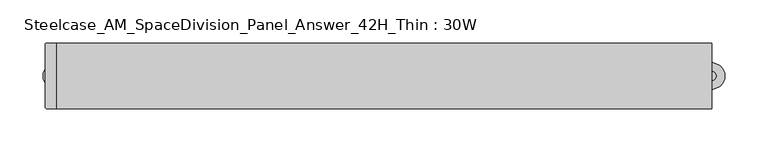
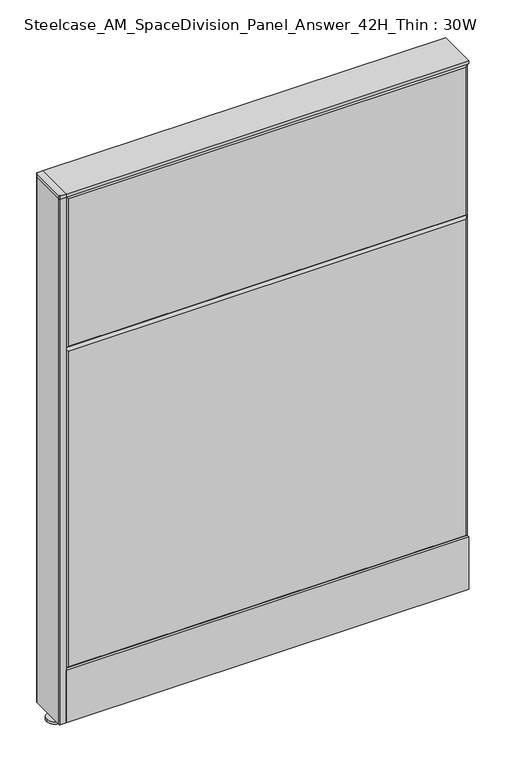
"""IFC4 building model written with IfcOpenShell, lengths in millimetres: furniture geometry, Steelcase_AM_SpaceDivision_Panel_Answer_42H_Thin : 30W."""

from ifc_helpers import new_model, si_unit, point, frame, frame_2d, origin, place, context, project, spatial, polyline, circle_curve, trimmed, segment, composite_curve, outline, extrude, faceted_brep, source, transform, mapped, element, save


def steelcase_am_spacedivision_panel_answer_42h_thin_30w_1ea2919f(model_context):
    return source(origin(), model_context, "Body", "SolidModel", [
        extrude(outline(polyline([(-37.3075215, 119.8575157), (-37.3075215, 15.494), (-38.1000194, 15.494), (-38.1000194, 120.65), (-25.4000011, 120.65), (-25.4000011, 119.8575157), (-37.3075215, 119.8575157)])), frame((-381.0, 0.0, 0.0), z_axis=(1.0, 0.0, 0.0), x_axis=(0.0, 1.0, 0.0)), (0.0, 0.0, 1.0), 762.0),
        extrude(outline(composite_curve([segment(trimmed(circle_curve(frame_2d((381.0, -1.94e-05)), 5.08), [point((386.08, -1.94e-05))], [point((375.92, -1.94e-05))], False, "CARTESIAN"), True, "CONTINUOUS"), segment(trimmed(circle_curve(frame_2d((381.0, -1.94e-05)), 5.08), [point((375.92, -1.94e-05))], [point((386.08, -1.94e-05))], False, "CARTESIAN"), True, "CONTINUOUS")], self_intersect=False)), frame((0.0, 0.0, 5.0799671), z_axis=(0.0, 0.0, 1.0), x_axis=(1.0, 0.0, 0.0)), (0.0, 0.0, 1.0), 10.414),
        extrude(outline(composite_curve([segment(trimmed(circle_curve(frame_2d((381.0, -1.94e-05)), 15.24), [point((396.24, -1.94e-05))], [point((365.76, -1.94e-05))], False, "CARTESIAN"), True, "CONTINUOUS"), segment(trimmed(circle_curve(frame_2d((381.0, -1.94e-05)), 15.24), [point((365.76, -1.94e-05))], [point((396.24, -1.94e-05))], False, "CARTESIAN"), True, "CONTINUOUS")], self_intersect=False)), frame((0.0, 0.0, -3.29e-05), z_axis=(0.0, 0.0, 1.0), x_axis=(1.0, 0.0, 0.0)), (0.0, 0.0, 1.0), 5.08),
        extrude(outline(composite_curve([segment(trimmed(circle_curve(frame_2d((-381.0, 0.0)), 5.08), [point((-386.08, 0.0))], [point((-375.92, 0.0))], False, "CARTESIAN"), True, "CONTINUOUS"), segment(trimmed(circle_curve(frame_2d((-381.0, 0.0)), 5.08), [point((-375.92, 0.0))], [point((-386.08, 0.0))], False, "CARTESIAN"), True, "CONTINUOUS")], self_intersect=False)), frame((0.0, 0.0, 5.0799671), z_axis=(0.0, 0.0, 1.0), x_axis=(1.0, 0.0, 0.0)), (0.0, 0.0, 1.0), 10.414),
        extrude(outline(composite_curve([segment(trimmed(circle_curve(frame_2d((-381.0, 0.0)), 15.24), [point((-396.24, 0.0))], [point((-365.76, 0.0))], False, "CARTESIAN"), True, "CONTINUOUS"), segment(trimmed(circle_curve(frame_2d((-381.0, 0.0)), 15.24), [point((-365.76, 0.0))], [point((-396.24, 0.0))], False, "CARTESIAN"), True, "CONTINUOUS")], self_intersect=False)), frame((0.0, 0.0, -3.29e-05), z_axis=(0.0, 0.0, 1.0), x_axis=(1.0, 0.0, 0.0)), (0.0, 0.0, 1.0), 5.08),
        extrude(outline(composite_curve([segment(trimmed(circle_curve(frame_2d((-391.922, 36.3220194)), 1.778), [point((-393.7, 36.3220194))], [point((-391.922, 38.1000194))], False, "CARTESIAN"), True, "CONTINUOUS"), segment(polyline([(-391.922, 38.1000194), (-381.0, 38.1000194), (-381.0, -38.0999806), (-391.922, -38.0999806)]), True, "CONTINUOUS"), segment(trimmed(circle_curve(frame_2d((-391.922, -36.3219806)), 1.778), [point((-391.922, -38.0999806))], [point((-393.7, -36.3219806))], False, "CARTESIAN"), True, "CONTINUOUS"), segment(polyline([(-393.7, -36.3219806), (-393.7, 36.3220194)]), True, "CONTINUOUS")], self_intersect=False)), frame((0.0, 0.0, 1066.7999671), z_axis=(0.0, 0.0, 1.0), x_axis=(1.0, 0.0, 0.0)), (0.0, 0.0, 1.0), 6.35),
        extrude(outline(composite_curve([segment(trimmed(circle_curve(frame_2d((-391.922, 36.3220194)), 1.778), [point((-393.7, 36.3220194))], [point((-391.922, 38.1000194))], False, "CARTESIAN"), True, "CONTINUOUS"), segment(polyline([(-391.922, 38.1000194), (-381.0, 38.1000194), (-381.0, -38.0999806), (-391.922, -38.0999806)]), True, "CONTINUOUS"), segment(trimmed(circle_curve(frame_2d((-391.922, -36.3219806)), 1.778), [point((-391.922, -38.0999806))], [point((-393.7, -36.3219806))], False, "CARTESIAN"), True, "CONTINUOUS"), segment(polyline([(-393.7, -36.3219806), (-393.7, 36.3220194)]), True, "CONTINUOUS")], self_intersect=False)), frame((0.0, 0.0, 15.4939671), z_axis=(0.0, 0.0, 1.0), x_axis=(1.0, 0.0, 0.0)), (0.0, 0.0, 1.0), 1051.306),
        faceted_brep([(-381.0, 33.2700541, 1066.8), (-381.0, 33.2700541, 15.494), (381.0, 33.2700541, 15.494), (381.0, 33.2700541, 1066.8), (376.174, 38.0960541, 1061.974), (-376.174, 38.0960541, 1061.974), (376.174, 38.0960541, 20.32), (-376.174, 38.0960541, 20.32)], [[[0, 1, 2, 3]], [[0, 3, 4, 5]], [[5, 4, 6, 7]], [[3, 2, 6, 4]], [[2, 1, 7, 6]], [[1, 0, 5, 7]]]),
        faceted_brep([(376.174, -38.0960541, 1061.974), (-376.174, -38.0960541, 1061.974), (-376.174, -38.0960541, 766.826), (376.174, -38.0960541, 766.826), (381.0, -33.2700541, 1066.8), (381.0, -33.2700541, 762.0), (-381.0, -33.2700541, 762.0), (-381.0, -33.2700541, 1066.8)], [[[0, 1, 2, 3]], [[4, 5, 6, 7]], [[4, 7, 1, 0]], [[7, 6, 2, 1]], [[6, 5, 3, 2]], [[5, 4, 0, 3]]]),
        faceted_brep([(376.174, -38.0960541, 757.174), (-376.174, -38.0960541, 757.174), (-376.174, -38.0960541, 125.476), (376.174, -38.0960541, 125.476), (381.0, -33.2700541, 762.0), (381.0, -33.2700541, 120.65), (-381.0, -33.2700541, 120.65), (-381.0, -33.2700541, 762.0)], [[[0, 1, 2, 3]], [[4, 5, 6, 7]], [[4, 7, 1, 0]], [[7, 6, 2, 1]], [[6, 5, 3, 2]], [[5, 4, 0, 3]]]),
        extrude(outline(polyline([(381.0, 38.1000194), (381.0, -38.1000194), (-381.0, -38.1000194), (-381.0, 38.1000194), (381.0, 38.1000194)])), frame((0.0, 0.0, 1066.8), z_axis=(0.0, 0.0, 1.0), x_axis=(1.0, 0.0, 0.0)), (0.0, 0.0, 1.0), 6.35),
    ])


if __name__ == "__main__":
    model = new_model("IFC4")
    model_context = context("Model", 3, world=origin())
    ifc_project = project(units=[si_unit("LENGTHUNIT", "METRE", prefix="MILLI")], contexts=[model_context])
    site = spatial("IfcSite", under=ifc_project)
    building = spatial("IfcBuilding", under=site)
    placement = place(None, origin())
    steelcase_am_spacedivision_panel_answer_42h_thin_30w_shape = steelcase_am_spacedivision_panel_answer_42h_thin_30w_1ea2919f(model_context)
    element("IfcFurniture", 1, ObjectType="Steelcase_AM_SpaceDivision_Panel_Answer_42H_Thin : 30W", at=placement, inside=building, context=model_context, shape_type="MappedRepresentation", body=[
        mapped(steelcase_am_spacedivision_panel_answer_42h_thin_30w_shape, transform((0.0, 0.0, 0.0), x_axis=(1.0, 0.0, 0.0), y_axis=(0.0, 1.0, 0.0), z_axis=(0.0, 0.0, 1.0))),
    ])
    save(model, "model.ifc")
